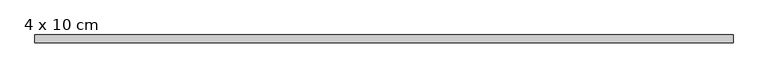
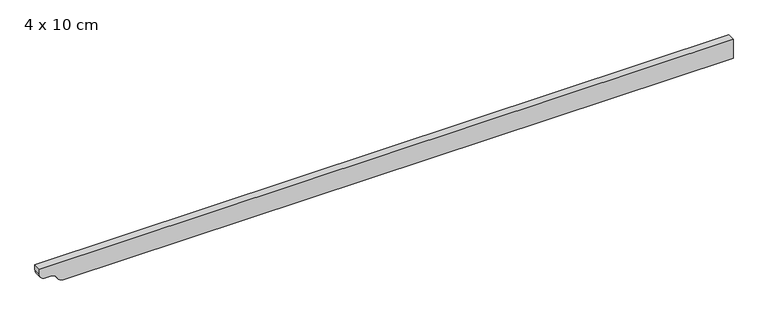
"""IFC4 building model written with IfcOpenShell, lengths in millimetres: beam geometry, 4 x 10 cm."""

import ifcopenshell
import ifcopenshell.guid

model = None  # the IFC model being written
_history = None  # IfcOwnerHistory: only IFC2X3 demands one
_inside = {}  # id of a spatial element -> (the spatial element, [elements in it])
_under = {}  # id of a project, library or spatial element -> (it, [spatial elements below it])
_declared = {}  # id of a project -> (the project, [libraries it declares])
_typed = {}  # id of a type object -> (the type object, [elements of that type])
_made_of = {}  # id of a material, layer set ... -> (it, [elements and type objects made of it])


def new_model(schema):
    """Start an empty IFC model of exactly this schema.

    Asked for "IFC4X3", IfcOpenShell would pick the latest addendum, in which some entities
    have other attributes; the version numbers below select the first issue.
    IFC2X3 requires an IfcOwnerHistory on every rooted entity: one is made here for all.
    """
    global model, _history
    if schema == "IFC4X3":
        model = ifcopenshell.file(schema_version=(4, 3, 0, 0))
    else:
        model = ifcopenshell.file(schema=schema)
    _inside.clear()
    _under.clear()
    _declared.clear()
    _typed.clear()
    _made_of.clear()
    _history = None
    if model.schema == "IFC2X3":
        org = make("IfcOrganization", Name="unknown")
        user = make(
            "IfcPersonAndOrganization",
            ThePerson=make("IfcPerson", FamilyName="unknown"),
            TheOrganization=org,
        )
        app = make(
            "IfcApplication",
            ApplicationDeveloper=org,
            Version="unknown",
            ApplicationFullName="unknown",
            ApplicationIdentifier="unknown",
        )
        _history = make(
            "IfcOwnerHistory",
            OwningUser=user,
            OwningApplication=app,
            ChangeAction="ADDED",
            CreationDate=0,
        )
    return model


def make(cls, **values):
    """One entity of the class cls with the attributes given. An attribute that is None is left unset."""
    return model.create_entity(
        cls, **{name: value for name, value in values.items() if value is not None}
    )


def rooted(cls, **values):
    """An entity with a GlobalId (a new one), such as an element, a storey or a relation."""
    return make(cls, GlobalId=ifcopenshell.guid.new(), OwnerHistory=_history, **values)


def si_unit(unit_type, name, prefix=None):
    """IfcSIUnit, for example si_unit("LENGTHUNIT", "METRE", prefix="MILLI")."""
    return make("IfcSIUnit", UnitType=unit_type, Prefix=prefix, Name=name)


def assignment(units):
    """IfcUnitAssignment: the units of a project."""
    return None if units is None else make("IfcUnitAssignment", Units=units)


def point(xyz):
    """IfcCartesianPoint."""
    return None if xyz is None else make("IfcCartesianPoint", Coordinates=xyz)


def direction(xyz):
    """IfcDirection."""
    return None if xyz is None else make("IfcDirection", DirectionRatios=xyz)


def frame(location, z_axis=None, x_axis=None):
    """IfcAxis2Placement3D, a coordinate frame: its origin and axes. An axis left out is left unset."""
    return make(
        "IfcAxis2Placement3D",
        Location=point(location),
        Axis=direction(z_axis),
        RefDirection=direction(x_axis),
    )


def frame_2d(location, x_axis=None):
    """IfcAxis2Placement2D, a coordinate frame in the plane: its origin and x axis."""
    return make(
        "IfcAxis2Placement2D", Location=point(location), RefDirection=direction(x_axis)
    )


def origin():
    """The frame at (0, 0, 0) with its axes left unset."""
    return frame((0.0, 0.0, 0.0))


def place(relative_to, where):
    """IfcLocalPlacement: puts the frame where relative to a parent placement (None: the world)."""
    return make(
        "IfcLocalPlacement", PlacementRelTo=relative_to, RelativePlacement=where
    )


def context(
    kind, dimensions, precision=None, world=None, true_north=None, identifier=None
):
    """IfcGeometricRepresentationContext, for example the 3D "Model" context."""
    return make(
        "IfcGeometricRepresentationContext",
        ContextIdentifier=identifier,
        ContextType=kind,
        CoordinateSpaceDimension=dimensions,
        Precision=precision,
        WorldCoordinateSystem=world,
        TrueNorth=true_north,
    )


def project(units=None, contexts=None):
    """IfcProject with its units and contexts."""
    return rooted(
        "IfcProject",
        Name="project",
        RepresentationContexts=contexts,
        UnitsInContext=assignment(units),
    )


def spatial(cls, under=None, at=None, **own):
    """A site, building, storey or space (cls), placed at a placement, below another one or the project."""
    s = rooted(cls, ObjectPlacement=at, **own)
    if under is not None:
        _under.setdefault(under.id(), (under, []))[1].append(s)
    return s


def polyline(points):
    """IfcPolyline through the points."""
    return make("IfcPolyline", Points=[point(p) for p in points])


def circle_curve(where, radius):
    """IfcCircle in the frame where."""
    return make("IfcCircle", Position=where, Radius=radius)


def trimmed(basis, trim1, trim2, sense, master):
    """IfcTrimmedCurve: the piece of a basis curve between two trims."""
    return make(
        "IfcTrimmedCurve",
        BasisCurve=basis,
        Trim1=trim1,
        Trim2=trim2,
        SenseAgreement=sense,
        MasterRepresentation=master,
    )


def segment(curve, same_sense, transition):
    """IfcCompositeCurveSegment."""
    return make(
        "IfcCompositeCurveSegment",
        Transition=transition,
        SameSense=same_sense,
        ParentCurve=curve,
    )


def composite_curve(segments, self_intersect=None):
    """IfcCompositeCurve: segments joined end to end."""
    return make("IfcCompositeCurve", Segments=segments, SelfIntersect=self_intersect)


def outline(outer, holes=None, kind="AREA"):
    """IfcArbitraryClosedProfileDef: a profile drawn as a closed curve; with holes, ...WithVoids."""
    if holes is None:
        return make("IfcArbitraryClosedProfileDef", ProfileType=kind, OuterCurve=outer)
    return make(
        "IfcArbitraryProfileDefWithVoids",
        ProfileType=kind,
        OuterCurve=outer,
        InnerCurves=holes,
    )


def extrude(swept, where, along, depth):
    """IfcExtrudedAreaSolid: the profile swept, set in the frame where, extruded along a direction by depth."""
    return make(
        "IfcExtrudedAreaSolid",
        SweptArea=swept,
        Position=where,
        ExtrudedDirection=direction(along),
        Depth=depth,
    )


def shape(context_of_items, identifier, shape_type, items):
    """IfcShapeRepresentation: the items that make up one representation, for example the "Body"."""
    return make(
        "IfcShapeRepresentation",
        ContextOfItems=context_of_items,
        RepresentationIdentifier=identifier,
        RepresentationType=shape_type,
        Items=items,
    )


def source(mapping_origin, context_of_items, identifier, shape_type, items):
    """IfcRepresentationMap: a shape defined once, which mapped items show again and again."""
    return make(
        "IfcRepresentationMap",
        MappingOrigin=mapping_origin,
        MappedRepresentation=shape(context_of_items, identifier, shape_type, items),
    )


def transform(
    local_origin,
    x_axis=None,
    y_axis=None,
    z_axis=None,
    scale=None,
    scale2=None,
    scale3=None,
    uniform=True,
):
    """IfcCartesianTransformationOperator3D, or its non-uniform kind. x_axis, y_axis, z_axis: its Axis1, 2, 3."""
    if uniform:
        return make(
            "IfcCartesianTransformationOperator3D",
            Axis1=direction(x_axis),
            Axis2=direction(y_axis),
            LocalOrigin=point(local_origin),
            Scale=scale,
            Axis3=direction(z_axis),
        )
    return make(
        "IfcCartesianTransformationOperator3DnonUniform",
        Axis1=direction(x_axis),
        Axis2=direction(y_axis),
        LocalOrigin=point(local_origin),
        Scale=scale,
        Axis3=direction(z_axis),
        Scale2=scale2,
        Scale3=scale3,
    )


def mapped(mapping_source, mapping_target):
    """IfcMappedItem: shows the shape of a source again, moved by a transform."""
    return make(
        "IfcMappedItem", MappingSource=mapping_source, MappingTarget=mapping_target
    )


def made_of(thing, what):
    """Note that an element or type object is made of a material, layer set ...; save() writes the relation."""
    if what is not None:
        _made_of.setdefault(what.id(), (what, []))[1].append(thing)
    return thing


def element(
    cls,
    number,
    at=None,
    inside=None,
    cuts=None,
    type_object=None,
    material=None,
    context=None,
    identifier="Body",
    shape_type=None,
    held_by="IfcProductDefinitionShape",
    body=None,
    shapes=None,
    **own,
):
    """One element of the class cls, such as IfcWall. Its Tag is "e" and its number.

    at: its placement. inside: the storey or other place that contains it. cuts: it is an
    opening in that element (IfcRelVoidsElement). A single representation is given by context,
    identifier, shape_type and body (its items); several are given by shapes. held_by: the class
    of the entity that holds the representations. save() writes the other relations.
    """
    e = rooted(cls, Tag="e%d" % number, ObjectPlacement=at, **own)
    if body is not None:
        shapes = [shape(context, identifier, shape_type, body)]
    if shapes is not None:
        e.Representation = make(held_by, Representations=shapes)
    if inside is not None:
        _inside.setdefault(inside.id(), (inside, []))[1].append(e)
    if cuts is not None:
        rooted(
            "IfcRelVoidsElement", RelatingBuildingElement=cuts, RelatedOpeningElement=e
        )
    if type_object is not None:
        _typed.setdefault(type_object.id(), (type_object, []))[1].append(e)
    return made_of(e, material)


def aggregate(whole, parts):
    """IfcRelAggregates: a whole, such as a stair, and the parts it consists of."""
    return rooted("IfcRelAggregates", RelatingObject=whole, RelatedObjects=parts)


def save(model, path):
    """Write the relations noted so far, then the file.

    IfcRelAggregates (storeys below a building ...), IfcRelContainedInSpatialStructure (elements
    in a storey), IfcRelDefinesByType, IfcRelAssociatesMaterial and IfcRelDeclares: one each for
    every whole, place, type object, material and project.
    """
    for whole, parts in _under.values():
        aggregate(whole, parts)
    for where, things in _inside.values():
        rooted(
            "IfcRelContainedInSpatialStructure",
            RelatedElements=things,
            RelatingStructure=where,
        )
    for kind, things in _typed.values():
        rooted("IfcRelDefinesByType", RelatedObjects=things, RelatingType=kind)
    for what, things in _made_of.values():
        rooted("IfcRelAssociatesMaterial", RelatedObjects=things, RelatingMaterial=what)
    for by, libraries in _declared.values():
        rooted("IfcRelDeclares", RelatingContext=by, RelatedDefinitions=libraries)
    model.write(path)


def beam_4_x_10_cm_8cd24875(model_context):
    return source(origin(), model_context, "Body", "SweptSolid", [
        extrude(outline(composite_curve([segment(polyline([(50.0, 1779.3697297), (50.0, -1819.0979758), (22.5, -1819.0979758)]), True, "CONTINUOUS"), segment(trimmed(circle_curve(frame_2d((22.5, -1786.5979758)), 32.5), [point((22.5, -1819.0979758))], [point((-10.0, -1786.5979758))], False, "CARTESIAN"), True, "CONTINUOUS"), segment(polyline([(-10.0, -1786.5979758), (-10.0, -1755.5877706)]), True, "CONTINUOUS"), segment(trimmed(circle_curve(frame_2d((-40.0, -1755.5877706)), 30.0), [point((-10.0, -1755.5877706))], [point((-34.0, -1726.1938937))], True, "CARTESIAN"), True, "CONTINUOUS"), segment(trimmed(circle_curve(frame_2d((-3.1535049, -1686.8429885)), 50.0), [point((-34.0, -1726.1938937))], [point((-53.1535049, -1686.8429885))], False, "CARTESIAN"), True, "CONTINUOUS"), segment(polyline([(-53.1535049, -1686.8429885), (-53.1535049, 1779.3697297), (50.0, 1779.3697297)]), True, "CONTINUOUS")], self_intersect=False)), frame((0.0, -20.0, 0.0), z_axis=(0.0, 1.0, 0.0), x_axis=(0.0, 0.0, 1.0)), (0.0, 0.0, 1.0), 40.0),
    ])


if __name__ == "__main__":
    model = new_model("IFC4")
    model_context = context("Model", 3, world=origin())
    ifc_project = project(units=[si_unit("LENGTHUNIT", "METRE", prefix="MILLI")], contexts=[model_context])
    site = spatial("IfcSite", under=ifc_project)
    building = spatial("IfcBuilding", under=site)
    placement = place(None, origin())
    beam_4_x_10_cm_shape = beam_4_x_10_cm_8cd24875(model_context)
    element("IfcBeam", 1, ObjectType="4 x 10 cm", at=placement, inside=building, context=model_context, shape_type="MappedRepresentation", body=[
        mapped(beam_4_x_10_cm_shape, transform((0.0, 0.0, 0.0), x_axis=(1.0, 0.0, 0.0), y_axis=(0.0, 1.0, 0.0), z_axis=(0.0, 0.0, 1.0))),
    ])
    save(model, "model.ifc")
